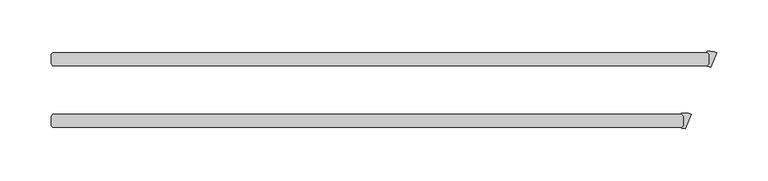
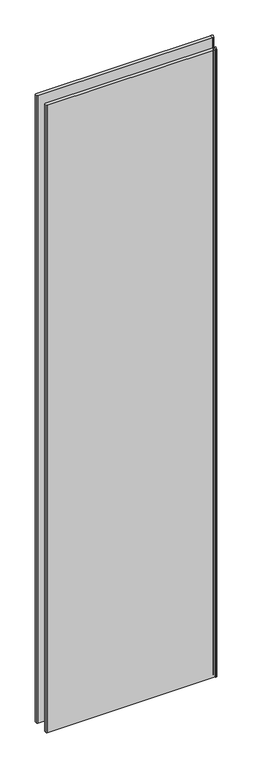
"""IFC4 building model written with IfcOpenShell, lengths in millimetres: plate geometry."""

import ifcopenshell
import ifcopenshell.guid

model = None  # the IFC model being written
_history = None  # IfcOwnerHistory: only IFC2X3 demands one
_inside = {}  # id of a spatial element -> (the spatial element, [elements in it])
_under = {}  # id of a project, library or spatial element -> (it, [spatial elements below it])
_declared = {}  # id of a project -> (the project, [libraries it declares])
_typed = {}  # id of a type object -> (the type object, [elements of that type])
_made_of = {}  # id of a material, layer set ... -> (it, [elements and type objects made of it])


def new_model(schema):
    """Start an empty IFC model of exactly this schema.

    Asked for "IFC4X3", IfcOpenShell would pick the latest addendum, in which some entities
    have other attributes; the version numbers below select the first issue.
    IFC2X3 requires an IfcOwnerHistory on every rooted entity: one is made here for all.
    """
    global model, _history
    if schema == "IFC4X3":
        model = ifcopenshell.file(schema_version=(4, 3, 0, 0))
    else:
        model = ifcopenshell.file(schema=schema)
    _inside.clear()
    _under.clear()
    _declared.clear()
    _typed.clear()
    _made_of.clear()
    _history = None
    if model.schema == "IFC2X3":
        org = make("IfcOrganization", Name="unknown")
        user = make(
            "IfcPersonAndOrganization",
            ThePerson=make("IfcPerson", FamilyName="unknown"),
            TheOrganization=org,
        )
        app = make(
            "IfcApplication",
            ApplicationDeveloper=org,
            Version="unknown",
            ApplicationFullName="unknown",
            ApplicationIdentifier="unknown",
        )
        _history = make(
            "IfcOwnerHistory",
            OwningUser=user,
            OwningApplication=app,
            ChangeAction="ADDED",
            CreationDate=0,
        )
    return model


def make(cls, **values):
    """One entity of the class cls with the attributes given. An attribute that is None is left unset."""
    return model.create_entity(
        cls, **{name: value for name, value in values.items() if value is not None}
    )


def rooted(cls, **values):
    """An entity with a GlobalId (a new one), such as an element, a storey or a relation."""
    return make(cls, GlobalId=ifcopenshell.guid.new(), OwnerHistory=_history, **values)


def si_unit(unit_type, name, prefix=None):
    """IfcSIUnit, for example si_unit("LENGTHUNIT", "METRE", prefix="MILLI")."""
    return make("IfcSIUnit", UnitType=unit_type, Prefix=prefix, Name=name)


def assignment(units):
    """IfcUnitAssignment: the units of a project."""
    return None if units is None else make("IfcUnitAssignment", Units=units)


def point(xyz):
    """IfcCartesianPoint."""
    return None if xyz is None else make("IfcCartesianPoint", Coordinates=xyz)


def direction(xyz):
    """IfcDirection."""
    return None if xyz is None else make("IfcDirection", DirectionRatios=xyz)


def frame(location, z_axis=None, x_axis=None):
    """IfcAxis2Placement3D, a coordinate frame: its origin and axes. An axis left out is left unset."""
    return make(
        "IfcAxis2Placement3D",
        Location=point(location),
        Axis=direction(z_axis),
        RefDirection=direction(x_axis),
    )


def frame_2d(location, x_axis=None):
    """IfcAxis2Placement2D, a coordinate frame in the plane: its origin and x axis."""
    return make(
        "IfcAxis2Placement2D", Location=point(location), RefDirection=direction(x_axis)
    )


def origin():
    """The frame at (0, 0, 0) with its axes left unset."""
    return frame((0.0, 0.0, 0.0))


def origin_with_axes():
    """The frame at (0, 0, 0) with the z axis (0, 0, 1) and the x axis (1, 0, 0) written out."""
    return frame((0.0, 0.0, 0.0), z_axis=(0.0, 0.0, 1.0), x_axis=(1.0, 0.0, 0.0))


def place(relative_to, where):
    """IfcLocalPlacement: puts the frame where relative to a parent placement (None: the world)."""
    return make(
        "IfcLocalPlacement", PlacementRelTo=relative_to, RelativePlacement=where
    )


def context(
    kind, dimensions, precision=None, world=None, true_north=None, identifier=None
):
    """IfcGeometricRepresentationContext, for example the 3D "Model" context."""
    return make(
        "IfcGeometricRepresentationContext",
        ContextIdentifier=identifier,
        ContextType=kind,
        CoordinateSpaceDimension=dimensions,
        Precision=precision,
        WorldCoordinateSystem=world,
        TrueNorth=true_north,
    )


def project(units=None, contexts=None):
    """IfcProject with its units and contexts."""
    return rooted(
        "IfcProject",
        Name="project",
        RepresentationContexts=contexts,
        UnitsInContext=assignment(units),
    )


def spatial(cls, under=None, at=None, **own):
    """A site, building, storey or space (cls), placed at a placement, below another one or the project."""
    s = rooted(cls, ObjectPlacement=at, **own)
    if under is not None:
        _under.setdefault(under.id(), (under, []))[1].append(s)
    return s


def polyline(points):
    """IfcPolyline through the points."""
    return make("IfcPolyline", Points=[point(p) for p in points])


def circle_curve(where, radius):
    """IfcCircle in the frame where."""
    return make("IfcCircle", Position=where, Radius=radius)


def trimmed(basis, trim1, trim2, sense, master):
    """IfcTrimmedCurve: the piece of a basis curve between two trims."""
    return make(
        "IfcTrimmedCurve",
        BasisCurve=basis,
        Trim1=trim1,
        Trim2=trim2,
        SenseAgreement=sense,
        MasterRepresentation=master,
    )


def segment(curve, same_sense, transition):
    """IfcCompositeCurveSegment."""
    return make(
        "IfcCompositeCurveSegment",
        Transition=transition,
        SameSense=same_sense,
        ParentCurve=curve,
    )


def composite_curve(segments, self_intersect=None):
    """IfcCompositeCurve: segments joined end to end."""
    return make("IfcCompositeCurve", Segments=segments, SelfIntersect=self_intersect)


def outline(outer, holes=None, kind="AREA"):
    """IfcArbitraryClosedProfileDef: a profile drawn as a closed curve; with holes, ...WithVoids."""
    if holes is None:
        return make("IfcArbitraryClosedProfileDef", ProfileType=kind, OuterCurve=outer)
    return make(
        "IfcArbitraryProfileDefWithVoids",
        ProfileType=kind,
        OuterCurve=outer,
        InnerCurves=holes,
    )


def extrude(swept, where, along, depth):
    """IfcExtrudedAreaSolid: the profile swept, set in the frame where, extruded along a direction by depth."""
    return make(
        "IfcExtrudedAreaSolid",
        SweptArea=swept,
        Position=where,
        ExtrudedDirection=direction(along),
        Depth=depth,
    )


def shape(context_of_items, identifier, shape_type, items):
    """IfcShapeRepresentation: the items that make up one representation, for example the "Body"."""
    return make(
        "IfcShapeRepresentation",
        ContextOfItems=context_of_items,
        RepresentationIdentifier=identifier,
        RepresentationType=shape_type,
        Items=items,
    )


def source(mapping_origin, context_of_items, identifier, shape_type, items):
    """IfcRepresentationMap: a shape defined once, which mapped items show again and again."""
    return make(
        "IfcRepresentationMap",
        MappingOrigin=mapping_origin,
        MappedRepresentation=shape(context_of_items, identifier, shape_type, items),
    )


def transform(
    local_origin,
    x_axis=None,
    y_axis=None,
    z_axis=None,
    scale=None,
    scale2=None,
    scale3=None,
    uniform=True,
):
    """IfcCartesianTransformationOperator3D, or its non-uniform kind. x_axis, y_axis, z_axis: its Axis1, 2, 3."""
    if uniform:
        return make(
            "IfcCartesianTransformationOperator3D",
            Axis1=direction(x_axis),
            Axis2=direction(y_axis),
            LocalOrigin=point(local_origin),
            Scale=scale,
            Axis3=direction(z_axis),
        )
    return make(
        "IfcCartesianTransformationOperator3DnonUniform",
        Axis1=direction(x_axis),
        Axis2=direction(y_axis),
        LocalOrigin=point(local_origin),
        Scale=scale,
        Axis3=direction(z_axis),
        Scale2=scale2,
        Scale3=scale3,
    )


def mapped(mapping_source, mapping_target):
    """IfcMappedItem: shows the shape of a source again, moved by a transform."""
    return make(
        "IfcMappedItem", MappingSource=mapping_source, MappingTarget=mapping_target
    )


def made_of(thing, what):
    """Note that an element or type object is made of a material, layer set ...; save() writes the relation."""
    if what is not None:
        _made_of.setdefault(what.id(), (what, []))[1].append(thing)
    return thing


def element(
    cls,
    number,
    at=None,
    inside=None,
    cuts=None,
    type_object=None,
    material=None,
    context=None,
    identifier="Body",
    shape_type=None,
    held_by="IfcProductDefinitionShape",
    body=None,
    shapes=None,
    **own,
):
    """One element of the class cls, such as IfcWall. Its Tag is "e" and its number.

    at: its placement. inside: the storey or other place that contains it. cuts: it is an
    opening in that element (IfcRelVoidsElement). A single representation is given by context,
    identifier, shape_type and body (its items); several are given by shapes. held_by: the class
    of the entity that holds the representations. save() writes the other relations.
    """
    e = rooted(cls, Tag="e%d" % number, ObjectPlacement=at, **own)
    if body is not None:
        shapes = [shape(context, identifier, shape_type, body)]
    if shapes is not None:
        e.Representation = make(held_by, Representations=shapes)
    if inside is not None:
        _inside.setdefault(inside.id(), (inside, []))[1].append(e)
    if cuts is not None:
        rooted(
            "IfcRelVoidsElement", RelatingBuildingElement=cuts, RelatedOpeningElement=e
        )
    if type_object is not None:
        _typed.setdefault(type_object.id(), (type_object, []))[1].append(e)
    return made_of(e, material)


def aggregate(whole, parts):
    """IfcRelAggregates: a whole, such as a stair, and the parts it consists of."""
    return rooted("IfcRelAggregates", RelatingObject=whole, RelatedObjects=parts)


def save(model, path):
    """Write the relations noted so far, then the file.

    IfcRelAggregates (storeys below a building ...), IfcRelContainedInSpatialStructure (elements
    in a storey), IfcRelDefinesByType, IfcRelAssociatesMaterial and IfcRelDeclares: one each for
    every whole, place, type object, material and project.
    """
    for whole, parts in _under.values():
        aggregate(whole, parts)
    for where, things in _inside.values():
        rooted(
            "IfcRelContainedInSpatialStructure",
            RelatedElements=things,
            RelatingStructure=where,
        )
    for kind, things in _typed.values():
        rooted("IfcRelDefinesByType", RelatedObjects=things, RelatingType=kind)
    for what, things in _made_of.values():
        rooted("IfcRelAssociatesMaterial", RelatedObjects=things, RelatingMaterial=what)
    for by, libraries in _declared.values():
        rooted("IfcRelDeclares", RelatingContext=by, RelatedDefinitions=libraries)
    model.write(path)


def plate_ebefc224(model_context):
    return source(origin(), model_context, "Body", "SweptSolid", [
        extrude(outline(composite_curve([segment(polyline([(299.8469084, -34.925), (299.8469084, -25.4), (297.7677007, -23.3207923)]), True, "CONTINUOUS"), segment(trimmed(circle_curve(frame_2d((298.0483337, -23.0401593)), 0.396875), [point((297.7677007, -23.3207923))], [point((297.9925665, -22.6472219))], False, "CARTESIAN"), True, "CONTINUOUS"), segment(trimmed(circle_curve(frame_2d((300.4755618, -40.1424885)), 17.6705863), [point((297.9925665, -22.6472219))], [point((307.2378024, -23.8169955))], False, "CARTESIAN"), True, "CONTINUOUS"), segment(polyline([(307.2378024, -23.8169955), (301.3908437, -37.9328026)]), True, "CONTINUOUS"), segment(trimmed(circle_curve(frame_2d((298.2456736, -45.525915)), 8.2187257), [point((301.3908437, -37.9328026))], [point((298.4129947, -37.3088927))], True, "CARTESIAN"), True, "CONTINUOUS"), segment(trimmed(circle_curve(frame_2d((298.4210745, -36.9121)), 0.396875), [point((298.4129947, -37.3088927))], [point((298.1404415, -36.6314669))], False, "CARTESIAN"), True, "CONTINUOUS"), segment(polyline([(298.1404415, -36.6314669), (299.8469084, -34.925)]), True, "CONTINUOUS")], self_intersect=False)), origin_with_axes(), (0.0, 0.0, 1.0), 2417.7625023),
        extrude(outline(composite_curve([segment(polyline([(324.8343416, 25.4), (324.8343416, 34.925), (322.7551339, 37.0042077)]), True, "CONTINUOUS"), segment(trimmed(circle_curve(frame_2d((323.0357669, 37.2848407)), 0.396875), [point((322.7551339, 37.0042077))], [point((322.9799997, 37.6777781))], False, "CARTESIAN"), True, "CONTINUOUS"), segment(trimmed(circle_curve(frame_2d((325.462995, 20.1825115)), 17.6705863), [point((322.9799997, 37.6777781))], [point((332.2252356, 36.5080045))], False, "CARTESIAN"), True, "CONTINUOUS"), segment(polyline([(332.2252356, 36.5080045), (326.3782769, 22.3921974)]), True, "CONTINUOUS"), segment(trimmed(circle_curve(frame_2d((323.2331067, 14.799085)), 8.2187257), [point((326.3782769, 22.3921974))], [point((323.4004278, 23.0161073))], True, "CARTESIAN"), True, "CONTINUOUS"), segment(trimmed(circle_curve(frame_2d((323.4085076, 23.4129)), 0.396875), [point((323.4004278, 23.0161073))], [point((323.1278746, 23.6935331))], False, "CARTESIAN"), True, "CONTINUOUS"), segment(polyline([(323.1278746, 23.6935331), (324.8343416, 25.4)]), True, "CONTINUOUS")], self_intersect=False)), origin_with_axes(), (0.0, 0.0, 1.0), 2417.7625023),
        extrude(outline(polyline([(298.2594084, -23.8125), (299.8469084, -25.4), (299.8469084, -34.925), (298.2594084, -36.5125), (-315.515625, -36.5125), (-317.103125, -34.925), (-317.103125, -25.4), (-315.515625, -23.8125), (298.2594084, -23.8125)])), origin_with_axes(), (0.0, 0.0, 1.0), 2417.7625023),
        extrude(outline(polyline([(323.2468416, 36.5125), (324.8343416, 34.925), (324.8343416, 25.4), (323.2468416, 23.8125), (-315.515625, 23.8125), (-317.103125, 25.4), (-317.103125, 34.925), (-315.515625, 36.5125), (323.2468416, 36.5125)])), origin_with_axes(), (0.0, 0.0, 1.0), 2417.7625023),
    ])


if __name__ == "__main__":
    model = new_model("IFC4")
    model_context = context("Model", 3, world=origin())
    ifc_project = project(units=[si_unit("LENGTHUNIT", "METRE", prefix="MILLI")], contexts=[model_context])
    site = spatial("IfcSite", under=ifc_project)
    building = spatial("IfcBuilding", under=site)
    placement = place(None, origin())
    plate_shape = plate_ebefc224(model_context)
    element("IfcPlate", 1, at=placement, inside=building, context=model_context, shape_type="MappedRepresentation", body=[
        mapped(plate_shape, transform((0.0, 0.0, 0.0), x_axis=(1.0, 0.0, 0.0), y_axis=(0.0, 1.0, 0.0), z_axis=(0.0, 0.0, 1.0))),
    ])
    save(model, "model.ifc")
